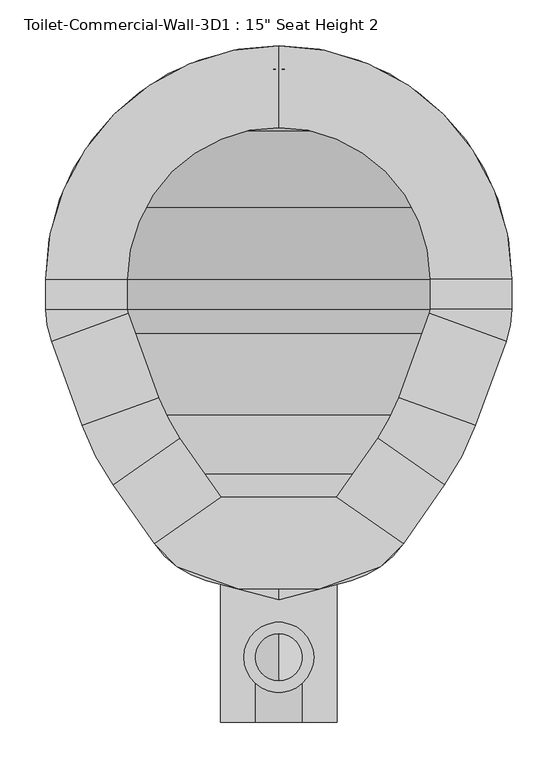
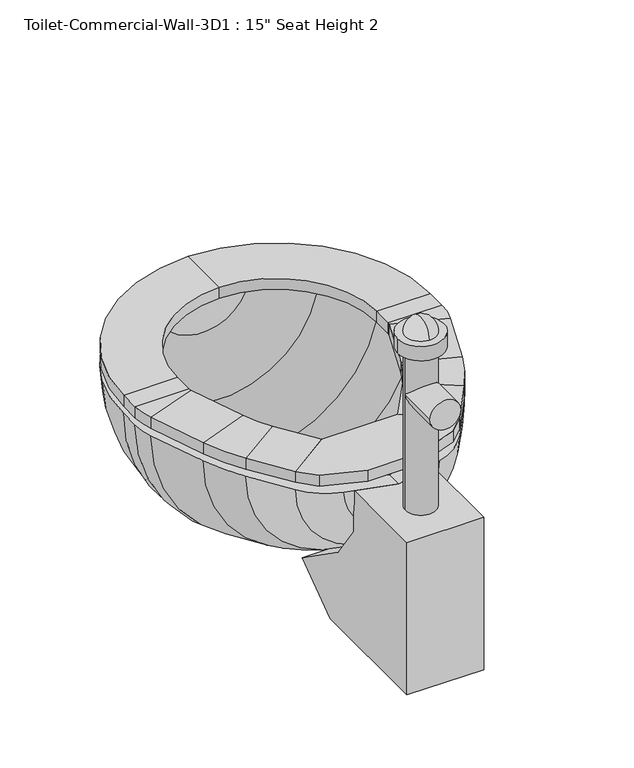
"""IFC4 building model written with IfcOpenShell, lengths in millimetres: flow terminal geometry."""

from ifc_helpers import new_model, si_unit, point, frame, frame_2d, origin, place, context, project, spatial, polyline, circle_curve, ellipse_curve, trimmed, segment, composite_curve, outline, extrude, source, transform, mapped, element, save
from ifc_brep_helpers import plane_surface, cylinder_surface, revolved_surface, advanced_brep


def flow_terminal_4f17df5f(model_context):
    return source(origin(), model_context, "Body", "SolidModel", [
        extrude(outline(polyline([(467.7541169, 416.4847495), (540.5767337, 365.4938043), (515.6262519, 340.5433226), (449.563909, 316.4985961), (360.2423986, 316.4985961), (294.1800557, 340.5433226), (269.229574, 365.4938043), (342.0521907, 416.4847495), (467.7541169, 416.4847495)])), frame((0.0, 0.0, 355.6), z_axis=(0.0, 0.0, 1.0), x_axis=(1.0, 0.0, 0.0)), (0.0, 0.0, 1.0), 19.05),
        advanced_brep(
        [(467.7541169, 416.4847495, 355.6), (540.5767337, 365.4938043, 355.6), (540.5767337, 365.4938043, 374.65), (467.7541169, 416.4847495, 374.65), (512.8583992, 480.9003403, 355.6), (585.6810159, 429.9093951, 355.6), (585.6810159, 429.9093951, 374.65), (512.8583992, 480.9003403, 374.65), (619.360053, 494.6062234, 355.6), (535.821379, 525.0118141, 355.6), (619.360053, 494.6062234, 374.65), (535.821379, 525.0118141, 374.65), (569.2372501, 616.8211654, 355.6), (652.7759241, 586.4155747, 355.6), (652.7759241, 586.4155747, 374.65), (569.2372501, 616.8211654, 374.65), (658.9031538, 621.1648212, 355.6), (570.0031538, 621.1648212, 355.6), (658.9031538, 621.1648212, 374.65), (570.0031538, 621.1648212, 374.65), (570.0031538, 654.05, 355.6), (658.9031538, 654.05, 355.6), (658.9031538, 654.05, 374.65), (570.0031538, 654.05, 374.65), (404.9031538, 908.05, 355.6), (404.9031538, 819.15, 355.6), (404.9031538, 908.05, 374.65), (404.9031538, 819.15, 374.65), (150.9031538, 654.05, 355.6), (239.8031538, 654.05, 355.6), (150.9031538, 654.05, 374.65), (239.8031538, 654.05, 374.65), (239.8031538, 621.1648212, 355.6), (150.9031538, 621.1648212, 355.6), (150.9031538, 621.1648212, 374.65), (239.8031538, 621.1648212, 374.65), (157.0303835, 586.4155747, 355.6), (240.5690575, 616.8211654, 355.6), (157.0303835, 586.4155747, 374.65), (240.5690575, 616.8211654, 374.65), (273.9849286, 525.0118141, 355.6), (190.4462546, 494.6062234, 355.6), (190.4462546, 494.6062234, 374.65), (273.9849286, 525.0118141, 374.65), (224.1252917, 429.9093951, 355.6), (296.9479084, 480.9003403, 355.6), (224.1252917, 429.9093951, 374.65), (296.9479084, 480.9003403, 374.65), (342.0521907, 416.4847495, 355.6), (342.0521907, 416.4847495, 374.65), (269.229574, 365.4938043, 374.65), (269.229574, 365.4938043, 355.6)],
        [
            (0, 1),
            (1, 2),
            (2, 3),
            (3, 0),
            (0, 4),
            (4, 5),
            (5, 1),
            (5, 6),
            (6, 2),
            (6, 7),
            (7, 3),
            (7, 4),
            (8, 5, circle_curve(frame((356.8099347, 590.1666514, 355.6), z_axis=(0.0, 0.0, -1.0), x_axis=(0.81915204428899, -0.5735764363510486, 0.0)), 279.4)),
            (4, 9, circle_curve(frame((356.8099347, 590.1666514, 355.6), z_axis=(0.0, 0.0, 1.0), x_axis=(0.81915204428899, -0.5735764363510486, 0.0)), 190.5)),
            (9, 8),
            (10, 6, circle_curve(frame((356.8099347, 590.1666514, 374.65), z_axis=(0.0, 0.0, -1.0), x_axis=(0.81915204428899, -0.5735764363510486, 0.0)), 279.4)),
            (8, 10),
            (11, 7, circle_curve(frame((356.8099347, 590.1666514, 374.65), z_axis=(0.0, 0.0, -1.0), x_axis=(0.81915204428899, -0.5735764363510486, 0.0)), 190.5)),
            (10, 11),
            (11, 9),
            (9, 12),
            (12, 13),
            (13, 8),
            (13, 14),
            (14, 10),
            (14, 15),
            (15, 11),
            (15, 12),
            (16, 13, circle_curve(frame((557.3031538, 621.1648212, 355.6), z_axis=(0.0, 0.0, -1.0), x_axis=(0.9396926207859057, -0.3420201433256761, 0.0)), 101.6)),
            (12, 17, circle_curve(frame((557.3031538, 621.1648212, 355.6), z_axis=(0.0, 0.0, 1.0), x_axis=(0.9396926207859057, -0.3420201433256761, 0.0)), 12.7)),
            (17, 16),
            (18, 14, circle_curve(frame((557.3031538, 621.1648212, 374.65), z_axis=(0.0, 0.0, -1.0), x_axis=(0.9396926207859057, -0.3420201433256761, 0.0)), 101.6)),
            (16, 18),
            (19, 15, circle_curve(frame((557.3031538, 621.1648212, 374.65), z_axis=(0.0, 0.0, -1.0), x_axis=(0.9396926207859057, -0.3420201433256761, 0.0)), 12.7)),
            (18, 19),
            (19, 17),
            (17, 20),
            (20, 21),
            (21, 16),
            (21, 22),
            (22, 18),
            (22, 23),
            (23, 19),
            (23, 20),
            (24, 21, circle_curve(frame((404.9031538, 654.05, 355.6), z_axis=(0.0, 0.0, -1.0), x_axis=(1.0, 0.0, 0.0)), 254.0)),
            (20, 25, circle_curve(frame((404.9031538, 654.05, 355.6), z_axis=(0.0, 0.0, 1.0), x_axis=(1.0, 0.0, 0.0)), 165.1)),
            (25, 24),
            (26, 22, circle_curve(frame((404.9031538, 654.05, 374.65), z_axis=(0.0, 0.0, -1.0), x_axis=(1.0, 0.0, 0.0)), 254.0)),
            (24, 26),
            (27, 23, circle_curve(frame((404.9031538, 654.05, 374.65), z_axis=(0.0, 0.0, -1.0), x_axis=(1.0, 0.0, 0.0)), 165.1)),
            (26, 27),
            (27, 25),
            (28, 24, circle_curve(frame((404.9031538, 654.05, 355.6), z_axis=(0.0, 0.0, -1.0), x_axis=(0.0, 1.0, 0.0)), 254.0)),
            (25, 29, circle_curve(frame((404.9031538, 654.05, 355.6), z_axis=(0.0, 0.0, 1.0), x_axis=(0.0, 1.0, 0.0)), 165.1)),
            (29, 28),
            (30, 26, circle_curve(frame((404.9031538, 654.05, 374.65), z_axis=(0.0, 0.0, -1.0), x_axis=(0.0, 1.0, 0.0)), 254.0)),
            (28, 30),
            (31, 27, circle_curve(frame((404.9031538, 654.05, 374.65), z_axis=(0.0, 0.0, -1.0), x_axis=(0.0, 1.0, 0.0)), 165.1)),
            (30, 31),
            (31, 29),
            (29, 32),
            (32, 33),
            (33, 28),
            (33, 34),
            (34, 30),
            (34, 35),
            (35, 31),
            (35, 32),
            (36, 33, circle_curve(frame((252.5031538, 621.1648212, 355.6), z_axis=(0.0, 0.0, -1.0), x_axis=(-1.0, 0.0, 0.0)), 101.6)),
            (32, 37, circle_curve(frame((252.5031538, 621.1648212, 355.6), z_axis=(0.0, 0.0, 1.0), x_axis=(-1.0, 0.0, 0.0)), 12.7)),
            (37, 36),
            (38, 34, circle_curve(frame((252.5031538, 621.1648212, 374.65), z_axis=(0.0, 0.0, -1.0), x_axis=(-1.0, 0.0, 0.0)), 101.6)),
            (36, 38),
            (39, 35, circle_curve(frame((252.5031538, 621.1648212, 374.65), z_axis=(0.0, 0.0, -1.0), x_axis=(-1.0, 0.0, 0.0)), 12.7)),
            (38, 39),
            (39, 37),
            (37, 40),
            (40, 41),
            (41, 36),
            (41, 42),
            (42, 38),
            (42, 43),
            (43, 39),
            (43, 40),
            (44, 41, circle_curve(frame((452.9963729, 590.1666514, 355.6), z_axis=(0.0, 0.0, -1.0), x_axis=(-0.939692620785909, -0.3420201433256672, 0.0)), 279.4)),
            (40, 45, circle_curve(frame((452.9963729, 590.1666514, 355.6), z_axis=(0.0, 0.0, 1.0), x_axis=(-0.939692620785909, -0.3420201433256672, 0.0)), 190.5)),
            (45, 44),
            (46, 42, circle_curve(frame((452.9963729, 590.1666514, 374.65), z_axis=(0.0, 0.0, -1.0), x_axis=(-0.939692620785909, -0.3420201433256672, 0.0)), 279.4)),
            (44, 46),
            (47, 43, circle_curve(frame((452.9963729, 590.1666514, 374.65), z_axis=(0.0, 0.0, -1.0), x_axis=(-0.939692620785909, -0.3420201433256672, 0.0)), 190.5)),
            (46, 47),
            (47, 45),
            (48, 49),
            (49, 50),
            (50, 51),
            (51, 48),
            (45, 48),
            (51, 44),
            (50, 46),
            (49, 47),
        ],
        [
            plane_surface(frame((540.5767337, 365.4938043, 437.2995365), z_axis=(-0.5735764363510436, -0.8191520442889937, 0.0), x_axis=(0.8191520442889937, -0.5735764363510436, 0.0))),
            plane_surface(frame((467.7541169, 416.4847495, 355.6), z_axis=(0.0, 0.0, -1.0), x_axis=(0.5735764363510435, 0.8191520442889937, 0.0))),
            plane_surface(frame((540.5767337, 365.4938043, 355.6), z_axis=(0.8191520442889932, -0.5735764363510439, 0.0), x_axis=(0.5735764363510439, 0.8191520442889932, 0.0))),
            plane_surface(frame((540.5767337, 365.4938043, 374.65), z_axis=(0.0, 0.0, 1.0), x_axis=(0.573576436351043, 0.819152044288994, 0.0))),
            plane_surface(frame((467.7541169, 416.4847495, 374.65), z_axis=(-0.8191520442889932, 0.5735764363510439, 0.0), x_axis=(0.5735764363510439, 0.8191520442889932, 0.0))),
            plane_surface(frame((356.8099347, 590.1666514, 355.6), z_axis=(0.0, 0.0, -1.0), x_axis=(0.81915204428899, -0.5735764363510486, 0.0))),
            cylinder_surface(frame((356.8099347, 590.1666514, 342.9), z_axis=(0.0, 0.0, 1.0), x_axis=(0.81915204428899, -0.5735764363510486, 0.0)), 279.4),
            plane_surface(frame((356.8099347, 590.1666514, 374.65), z_axis=(0.0, 0.0, 1.0), x_axis=(0.81915204428899, -0.5735764363510486, 0.0))),
            revolved_surface(polyline([(512.8583991370526, 480.90034027512525, 374.65), (512.8583991370526, 480.90034027512525, 355.6)]), (356.8099347, 590.1666514, 342.9), (0.0, 0.0, 1.0)),
            plane_surface(frame((535.821379, 525.0118141, 355.6), z_axis=(0.0, 0.0, -1.0000000000000002), x_axis=(0.3420201433256594, 0.9396926207859119, 0.0))),
            plane_surface(frame((619.360053, 494.6062234, 355.6), z_axis=(0.939692620785912, -0.34202014332565894, 0.0), x_axis=(0.34202014332565894, 0.939692620785912, 0.0))),
            plane_surface(frame((619.360053, 494.6062234, 374.65), z_axis=(0.0, 0.0, 1.0), x_axis=(0.34202014332565894, 0.939692620785912, 0.0))),
            plane_surface(frame((535.821379, 525.0118141, 374.65), z_axis=(-0.9396926207859126, 0.3420201433256571, 0.0), x_axis=(0.3420201433256571, 0.9396926207859126, 0.0))),
            plane_surface(frame((557.3031538, 621.1648212, 355.6), z_axis=(0.0, 0.0, -1.0000000000000002), x_axis=(0.9396926207859058, -0.34202014332567615, 0.0))),
            cylinder_surface(frame((557.3031538, 621.1648212, 342.9), z_axis=(0.0, 0.0, 1.0), x_axis=(0.9396926207859057, -0.3420201433256761, 0.0)), 101.6),
            plane_surface(frame((557.3031538, 621.1648212, 374.65), z_axis=(0.0, 0.0, 1.0000000000000002), x_axis=(0.9396926207859058, -0.34202014332567615, 0.0))),
            revolved_surface(polyline([(569.237250083981, 616.8211653797639, 374.65), (569.237250083981, 616.8211653797639, 355.6)]), (557.3031538, 621.1648212, 342.9), (0.0, 0.0, 1.0)),
            plane_surface(frame((570.0031538, 621.1648212, 355.6), z_axis=(0.0, 0.0, -1.0), x_axis=(0.0, 1.0, 0.0))),
            plane_surface(frame((658.9031538, 621.1648212, 355.6), z_axis=(1.0, 0.0, 0.0), x_axis=(0.0, 1.0, 0.0))),
            plane_surface(frame((658.9031538, 621.1648212, 374.65), z_axis=(0.0, 0.0, 1.0), x_axis=(0.0, 1.0, 0.0))),
            plane_surface(frame((570.0031538, 621.1648212, 374.65), z_axis=(-1.0, 0.0, 0.0), x_axis=(0.0, 1.0, 0.0))),
            plane_surface(frame((404.9031538, 654.05, 355.6), z_axis=(0.0, 0.0, -1.0), x_axis=(1.0, 0.0, 0.0))),
            cylinder_surface(frame((404.9031538, 654.05, 342.9), z_axis=(0.0, 0.0, 1.0), x_axis=(1.0, 0.0, 0.0)), 254.0),
            plane_surface(frame((404.9031538, 654.05, 374.65), z_axis=(0.0, 0.0, 1.0), x_axis=(1.0, 0.0, 0.0))),
            revolved_surface(polyline([(570.0031538, 654.05, 374.65), (570.0031538, 654.05, 355.6)]), (404.9031538, 654.05, 342.9), (0.0, 0.0, 1.0)),
            plane_surface(frame((404.9031538, 654.05, 355.6), z_axis=(0.0, 0.0, -1.0), x_axis=(0.0, 1.0, 0.0))),
            cylinder_surface(frame((404.9031538, 654.05, 342.9), z_axis=(0.0, 0.0, 1.0), x_axis=(0.0, 1.0, 0.0)), 254.0),
            plane_surface(frame((404.9031538, 654.05, 374.65), z_axis=(0.0, 0.0, 1.0), x_axis=(0.0, 1.0, 0.0))),
            revolved_surface(polyline([(404.9031538, 819.15, 374.65), (404.9031538, 819.15, 355.6)]), (404.9031538, 654.05, 342.9), (0.0, 0.0, 1.0)),
            plane_surface(frame((239.8031538, 654.05, 355.6), z_axis=(0.0, 0.0, -1.0), x_axis=(0.0, -1.0, 0.0))),
            plane_surface(frame((150.9031538, 654.05, 355.6), z_axis=(-1.0, 0.0, 0.0), x_axis=(0.0, -1.0, 0.0))),
            plane_surface(frame((150.9031538, 654.05, 374.65), z_axis=(0.0, 0.0, 1.0), x_axis=(0.0, -1.0, 0.0))),
            plane_surface(frame((239.8031538, 654.05, 374.65), z_axis=(1.0, 0.0, 0.0), x_axis=(0.0, -1.0, 0.0))),
            plane_surface(frame((252.5031538, 621.1648212, 355.6), z_axis=(0.0, 0.0, -1.0), x_axis=(-1.0, 0.0, 0.0))),
            cylinder_surface(frame((252.5031538, 621.1648212, 342.9), z_axis=(0.0, 0.0, 1.0), x_axis=(-1.0, 0.0, 0.0)), 101.6),
            plane_surface(frame((252.5031538, 621.1648212, 374.65), z_axis=(0.0, 0.0, 1.0), x_axis=(-1.0, 0.0, 0.0))),
            revolved_surface(polyline([(239.80315380000002, 621.1648212, 374.65), (239.80315380000002, 621.1648212, 355.6)]), (252.5031538, 621.1648212, 342.9), (0.0, 0.0, 1.0)),
            plane_surface(frame((240.5690575, 616.8211654, 355.6), z_axis=(0.0, 0.0, -1.0), x_axis=(0.3420201433256577, -0.9396926207859124, 0.0))),
            plane_surface(frame((157.0303835, 586.4155747, 355.6), z_axis=(-0.9396926207859123, -0.3420201433256579, 0.0), x_axis=(0.3420201433256579, -0.9396926207859123, 0.0))),
            plane_surface(frame((157.0303835, 586.4155747, 374.65), z_axis=(0.0, 0.0, 1.0000000000000002), x_axis=(0.34202014332565817, -0.9396926207859123, 0.0))),
            plane_surface(frame((240.5690575, 616.8211654, 374.65), z_axis=(0.9396926207859124, 0.3420201433256577, 0.0), x_axis=(0.3420201433256577, -0.9396926207859124, 0.0))),
            plane_surface(frame((452.9963729, 590.1666514, 355.6), z_axis=(0.0, 0.0, -1.0), x_axis=(-0.939692620785909, -0.3420201433256672, 0.0))),
            cylinder_surface(frame((452.9963729, 590.1666514, 342.9), z_axis=(0.0, 0.0, 1.0), x_axis=(-0.939692620785909, -0.3420201433256672, 0.0)), 279.4),
            plane_surface(frame((452.9963729, 590.1666514, 374.65), z_axis=(0.0, 0.0, 1.0), x_axis=(-0.939692620785909, -0.3420201433256672, 0.0))),
            revolved_surface(polyline([(273.98492864028435, 525.0118140964604, 374.65), (273.98492864028435, 525.0118140964604, 355.6)]), (452.9963729, 590.1666514, 342.9), (0.0, 0.0, 1.0)),
            plane_surface(frame((269.229574, 365.4938043, 248.5004635), z_axis=(0.5735764363510469, -0.8191520442889914, 0.0), x_axis=(0.8191520442889914, 0.5735764363510469, 0.0))),
            plane_surface(frame((296.9479084, 480.9003403, 355.6), z_axis=(0.0, 0.0, -1.0), x_axis=(0.5735764363510475, -0.8191520442889909, 0.0))),
            plane_surface(frame((224.1252917, 429.9093951, 355.6), z_axis=(-0.8191520442889912, -0.5735764363510469, 0.0), x_axis=(0.5735764363510469, -0.8191520442889912, 0.0))),
            plane_surface(frame((224.1252917, 429.9093951, 374.65), z_axis=(0.0, 0.0, 1.0), x_axis=(0.5735764363510469, -0.8191520442889912, 0.0))),
            plane_surface(frame((296.9479084, 480.9003403, 374.65), z_axis=(0.8191520442889916, 0.5735764363510465, 0.0), x_axis=(0.5735764363510465, -0.8191520442889916, 0.0))),
        ],
        [
            (0, [[1, 2, 3, 4]]),
            (1, [[-1, 5, 6, 7]]),
            (2, [[-2, -7, 8, 9]]),
            (3, [[-3, -9, 10, 11]]),
            (4, [[-4, -11, 12, -5]]),
            (5, [[13, -6, 14, 15]]),
            (6, [[16, -8, -13, 17]]),
            (7, [[18, -10, -16, 19]]),
            (8, [[-14, -12, -18, 20]]),
            (9, [[-15, 21, 22, 23]]),
            (10, [[-17, -23, 24, 25]]),
            (11, [[-19, -25, 26, 27]]),
            (12, [[-20, -27, 28, -21]]),
            (13, [[29, -22, 30, 31]]),
            (14, [[32, -24, -29, 33]]),
            (15, [[34, -26, -32, 35]]),
            (16, [[-30, -28, -34, 36]]),
            (17, [[-31, 37, 38, 39]]),
            (18, [[-33, -39, 40, 41]]),
            (19, [[-35, -41, 42, 43]]),
            (20, [[-36, -43, 44, -37]]),
            (21, [[45, -38, 46, 47]]),
            (22, [[48, -40, -45, 49]]),
            (23, [[50, -42, -48, 51]]),
            (24, [[-46, -44, -50, 52]]),
            (25, [[53, -47, 54, 55]]),
            (26, [[56, -49, -53, 57]]),
            (27, [[58, -51, -56, 59]]),
            (28, [[-54, -52, -58, 60]]),
            (29, [[-55, 61, 62, 63]]),
            (30, [[-57, -63, 64, 65]]),
            (31, [[-59, -65, 66, 67]]),
            (32, [[-60, -67, 68, -61]]),
            (33, [[69, -62, 70, 71]]),
            (34, [[72, -64, -69, 73]]),
            (35, [[74, -66, -72, 75]]),
            (36, [[-70, -68, -74, 76]]),
            (37, [[-71, 77, 78, 79]]),
            (38, [[-73, -79, 80, 81]]),
            (39, [[-75, -81, 82, 83]]),
            (40, [[-76, -83, 84, -77]]),
            (41, [[85, -78, 86, 87]]),
            (42, [[88, -80, -85, 89]]),
            (43, [[90, -82, -88, 91]]),
            (44, [[-86, -84, -90, 92]]),
            (45, [[93, 94, 95, 96]]),
            (46, [[-87, 97, -96, 98]]),
            (47, [[-89, -98, -95, 99]]),
            (48, [[-91, -99, -94, 100]]),
            (49, [[-92, -100, -93, -97]]),
        ],
    ),
        advanced_brep(
        [(491.7762702, 892.7319257, 342.9), (404.9031538, 908.05, 342.9), (404.9031538, 882.65, 342.9), (483.0889586, 868.8637331, 342.9), (566.547764, 815.6946102, 342.9), (619.7168869, 732.2358048, 342.9), (633.5031538, 654.05, 342.9), (633.5031538, 621.1648212, 342.9), (628.9077315, 595.1028863, 342.9), (596.6355667, 506.4358422, 342.9), (562.9565296, 441.7390139, 342.9), (525.0728964, 387.6355786, 342.9), (468.1430637, 347.7728806, 342.9), (404.9031538, 330.8277978, 342.9), (404.9031538, 304.5317829, 342.9), (483.6469009, 325.6311063, 342.9), (540.5767337, 365.4938043, 342.9), (585.6810159, 429.9093951, 342.9), (619.360053, 494.6062234, 342.9), (652.7759241, 586.4155747, 342.9), (658.9031538, 621.1648212, 342.9), (658.9031538, 654.05, 342.9), (643.5850795, 740.9231164, 342.9), (584.5082762, 833.6551224, 342.9), (318.0300374, 892.7319257, 342.9), (225.2980314, 833.6551224, 342.9), (166.2212281, 740.9231164, 342.9), (150.9031538, 654.05, 342.9), (150.9031538, 621.1648212, 342.9), (157.0303835, 586.4155747, 342.9), (190.4462546, 494.6062234, 342.9), (224.1252917, 429.9093951, 342.9), (269.229574, 365.4938043, 342.9), (326.1594067, 325.6311063, 342.9), (341.663244, 347.7728806, 342.9), (284.7334112, 387.6355786, 342.9), (246.849778, 441.7390139, 342.9), (213.1707409, 506.4358422, 342.9), (180.8985761, 595.1028863, 342.9), (176.3031538, 621.1648212, 342.9), (176.3031538, 654.05, 342.9), (190.0894207, 732.2358048, 342.9), (243.2585436, 815.6946102, 342.9), (326.7173491, 868.8637331, 342.9)],
        [
            (0, 1, circle_curve(frame((404.9031538, 654.05, 342.9), z_axis=(0.0, 0.0, 1.0), x_axis=(1.0, 0.0, 0.0)), 254.0)),
            (1, 2),
            (2, 3, circle_curve(frame((404.9031538, 654.05, 342.9), z_axis=(0.0, 0.0, -1.0), x_axis=(1.0, 0.0, 0.0)), 228.6)),
            (3, 4, circle_curve(frame((404.9031538, 654.05, 342.9), z_axis=(0.0, 0.0, -1.0), x_axis=(1.0, 0.0, 0.0)), 228.6)),
            (4, 5, circle_curve(frame((404.9031538, 654.05, 342.9), z_axis=(0.0, 0.0, -1.0), x_axis=(1.0, 0.0, 0.0)), 228.6)),
            (5, 6, circle_curve(frame((404.9031538, 654.05, 342.9), z_axis=(0.0, 0.0, -1.0), x_axis=(1.0, 0.0, 0.0)), 228.6)),
            (6, 7),
            (7, 8, circle_curve(frame((557.3031538, 621.1648212, 342.9), z_axis=(0.0, 0.0, -1.0), x_axis=(1.0, 0.0, 0.0)), 76.2)),
            (8, 9),
            (9, 10, circle_curve(frame((334.0854485, 601.9962703, 342.9), z_axis=(0.0, 0.0, -1.0), x_axis=(1.0, 0.0, 0.0)), 279.4)),
            (10, 11),
            (11, 12, circle_curve(frame((441.8470487, 445.9109446, 342.9), z_axis=(0.0, 0.0, -1.0), x_axis=(1.0, 0.0, 0.0)), 101.6)),
            (12, 13),
            (13, 14),
            (14, 15),
            (15, 16, circle_curve(frame((457.350886, 423.7691703, 342.9), z_axis=(0.0, 0.0, 1.0), x_axis=(1.0, 0.0, 0.0)), 101.6)),
            (16, 17),
            (17, 18, circle_curve(frame((356.8099347, 590.1666514, 342.9), z_axis=(0.0, 0.0, 1.0), x_axis=(1.0, 0.0, 0.0)), 279.4)),
            (18, 19),
            (19, 20, circle_curve(frame((557.3031538, 621.1648212, 342.9), z_axis=(0.0, 0.0, 1.0), x_axis=(1.0, 0.0, 0.0)), 101.6)),
            (20, 21),
            (21, 22, circle_curve(frame((404.9031538, 654.05, 342.9), z_axis=(0.0, 0.0, 1.0), x_axis=(1.0, 0.0, 0.0)), 254.0)),
            (22, 23, circle_curve(frame((404.9031538, 654.05, 342.9), z_axis=(0.0, 0.0, 1.0), x_axis=(1.0, 0.0, 0.0)), 254.0)),
            (23, 0, circle_curve(frame((404.9031538, 654.05, 342.9), z_axis=(0.0, 0.0, 1.0), x_axis=(1.0, 0.0, 0.0)), 254.0)),
            (24, 25, circle_curve(frame((404.9031538, 654.05, 342.9), z_axis=(0.0, 0.0, 1.0), x_axis=(-1.0, 0.0, 0.0)), 254.0)),
            (25, 26, circle_curve(frame((404.9031538, 654.05, 342.9), z_axis=(0.0, 0.0, 1.0), x_axis=(-1.0, 0.0, 0.0)), 254.0)),
            (26, 27, circle_curve(frame((404.9031538, 654.05, 342.9), z_axis=(0.0, 0.0, 1.0), x_axis=(-1.0, 0.0, 0.0)), 254.0)),
            (27, 28),
            (28, 29, circle_curve(frame((252.5031538, 621.1648212, 342.9), z_axis=(0.0, 0.0, 1.0), x_axis=(-1.0, 0.0, 0.0)), 101.6)),
            (29, 30),
            (30, 31, circle_curve(frame((452.9963729, 590.1666514, 342.9), z_axis=(0.0, 0.0, 1.0), x_axis=(-1.0, 0.0, 0.0)), 279.4)),
            (31, 32),
            (32, 33, circle_curve(frame((352.4554217, 423.7691703, 342.9), z_axis=(0.0, 0.0, 1.0), x_axis=(-1.0, 0.0, 0.0)), 101.6)),
            (33, 14),
            (13, 34),
            (34, 35, circle_curve(frame((367.9592589, 445.9109446, 342.9), z_axis=(0.0, 0.0, -1.0), x_axis=(-1.0, 0.0, 0.0)), 101.6)),
            (35, 36),
            (36, 37, circle_curve(frame((475.7208592, 601.9962703, 342.9), z_axis=(0.0, 0.0, -1.0), x_axis=(-1.0, 0.0, 0.0)), 279.4)),
            (37, 38),
            (38, 39, circle_curve(frame((252.5031538, 621.1648212, 342.9), z_axis=(0.0, 0.0, -1.0), x_axis=(-1.0, 0.0, 0.0)), 76.2)),
            (39, 40),
            (40, 41, circle_curve(frame((404.9031538, 654.05, 342.9), z_axis=(0.0, 0.0, -1.0), x_axis=(-1.0, 0.0, 0.0)), 228.6)),
            (41, 42, circle_curve(frame((404.9031538, 654.05, 342.9), z_axis=(0.0, 0.0, -1.0), x_axis=(-1.0, 0.0, 0.0)), 228.6)),
            (42, 43, circle_curve(frame((404.9031538, 654.05, 342.9), z_axis=(0.0, 0.0, -1.0), x_axis=(-1.0, 0.0, 0.0)), 228.6)),
            (43, 2, circle_curve(frame((404.9031538, 654.05, 342.9), z_axis=(0.0, 0.0, -1.0), x_axis=(-1.0, 0.0, 0.0)), 228.6)),
            (1, 24, circle_curve(frame((404.9031538, 654.05, 342.9), z_axis=(0.0, 0.0, 1.0), x_axis=(-1.0, 0.0, 0.0)), 254.0)),
            (0, 24, circle_curve(frame((404.9031538, 892.7319257, 342.9), z_axis=(0.0, 1.0, 0.0), x_axis=(1.0, 0.0, 0.0)), 86.8731164)),
            (43, 3, circle_curve(frame((404.9031538, 868.8637331, 342.9), z_axis=(0.0, -1.0, 0.0), x_axis=(1.0, 0.0, 0.0)), 78.1858048)),
            (42, 4, circle_curve(frame((404.9031538, 815.6946102, 342.9), z_axis=(0.0, -1.0, 0.0), x_axis=(1.0, 0.0, 0.0)), 161.6446102)),
            (41, 5, circle_curve(frame((404.9031538, 732.2358048, 342.9), z_axis=(0.0, -1.0, 0.0), x_axis=(1.0, 0.0, 0.0)), 214.8137331)),
            (40, 6, circle_curve(frame((404.9031538, 654.05, 342.9), z_axis=(0.0, -1.0, 0.0), x_axis=(1.0, 0.0, 0.0)), 228.6)),
            (39, 7, circle_curve(frame((404.9031538, 621.1648212, 342.9), z_axis=(0.0, -1.0, 0.0), x_axis=(1.0, 0.0, 0.0)), 228.6)),
            (38, 8, circle_curve(frame((404.9031538, 595.1028863, 342.9), z_axis=(0.0, -1.0, 0.0), x_axis=(1.0, 0.0, 0.0)), 224.0045777)),
            (37, 9, circle_curve(frame((404.9031538, 506.4358422, 342.9), z_axis=(0.0, -1.0, 0.0), x_axis=(1.0, 0.0, 0.0)), 191.7324129)),
            (36, 10, circle_curve(frame((404.9031538, 441.7390139, 342.9), z_axis=(0.0, -1.0, 0.0), x_axis=(1.0, 0.0, 0.0)), 158.0533758)),
            (35, 11, circle_curve(frame((404.9031538, 387.6355786, 342.9), z_axis=(0.0, -1.0, 0.0), x_axis=(1.0, 0.0, 0.0)), 120.1697426)),
            (34, 12, circle_curve(frame((404.9031538, 347.7728806, 342.9), z_axis=(0.0, -1.0, 0.0), x_axis=(1.0, 0.0, 0.0)), 63.2399099)),
            (33, 15, circle_curve(frame((404.9031538, 325.6311063, 342.9), z_axis=(0.0, -1.0, 0.0), x_axis=(1.0, 0.0, 0.0)), 78.7437471)),
            (32, 16, circle_curve(frame((404.9031538, 365.4938043, 342.9), z_axis=(0.0, -1.0, 0.0), x_axis=(1.0, 0.0, 0.0)), 135.6735798)),
            (31, 17, circle_curve(frame((404.9031538, 429.9093951, 342.9), z_axis=(0.0, -1.0, 0.0), x_axis=(1.0, 0.0, 0.0)), 180.7778621)),
            (30, 18, circle_curve(frame((404.9031538, 494.6062234, 342.9), z_axis=(0.0, -1.0, 0.0), x_axis=(1.0, 0.0, 0.0)), 214.4568992)),
            (29, 19, circle_curve(frame((404.9031538, 586.4155747, 342.9), z_axis=(0.0, -1.0, 0.0), x_axis=(1.0, 0.0, 0.0)), 247.8727703)),
            (28, 20, circle_curve(frame((404.9031538, 621.1648212, 342.9), z_axis=(0.0, -1.0, 0.0), x_axis=(1.0, 0.0, 0.0)), 254.0)),
            (27, 21, circle_curve(frame((404.9031538, 654.05, 342.9), z_axis=(0.0, -1.0, 0.0), x_axis=(1.0, 0.0, 0.0)), 254.0)),
            (26, 22, circle_curve(frame((404.9031538, 740.9231164, 342.9), z_axis=(0.0, -1.0, 0.0), x_axis=(1.0, 0.0, 0.0)), 238.6819257)),
            (25, 23, circle_curve(frame((404.9031538, 833.6551224, 342.9), z_axis=(0.0, -1.0, 0.0), x_axis=(1.0, 0.0, 0.0)), 179.6051224)),
        ],
        [
            plane_surface(frame((404.9031538, 1013.2602448, 342.9), z_axis=(0.0, 0.0, 1.0), x_axis=(1.0, 0.0, 0.0))),
            plane_surface(frame((404.9031538, 1013.2602448, 342.9), z_axis=(0.0, 0.0, 1.0), x_axis=(-1.0, 0.0, 0.0))),
            revolved_surface(trimmed(ellipse_curve(frame((404.9031538, 654.05, 342.9), z_axis=(0.0, 0.0, 1.0), x_axis=(1.0, 0.0, 0.0)), 254.0, 254.0), [point((491.7762702, 892.7319257, 342.9))], [point((404.9031538, 908.05, 342.9))], True, "CARTESIAN"), (404.9031538, 1013.2602448, 342.9), (0.0, 1.0, 0.0)),
            revolved_surface(trimmed(ellipse_curve(frame((404.9031538, 654.05, 342.9), z_axis=(0.0, 0.0, -1.0), x_axis=(1.0, 0.0, 0.0)), 228.6, 228.6), [point((404.9031538, 882.65, 342.9))], [point((483.0889586, 868.8637331, 342.9))], True, "CARTESIAN"), (404.9031538, 1013.2602448, 342.9), (0.0, 1.0, 0.0)),
            revolved_surface(trimmed(ellipse_curve(frame((404.9031538, 654.05, 342.9), z_axis=(0.0, 0.0, -1.0), x_axis=(1.0, 0.0, 0.0)), 228.6, 228.6), [point((483.0889586, 868.8637331, 342.9))], [point((566.547764, 815.6946102, 342.9))], True, "CARTESIAN"), (404.9031538, 1013.2602448, 342.9), (0.0, 1.0, 0.0)),
            revolved_surface(trimmed(ellipse_curve(frame((404.9031538, 654.05, 342.9), z_axis=(0.0, 0.0, -1.0), x_axis=(1.0, 0.0, 0.0)), 228.6, 228.6), [point((566.547764, 815.6946102, 342.9))], [point((619.7168869, 732.2358048, 342.9))], True, "CARTESIAN"), (404.9031538, 1013.2602448, 342.9), (0.0, 1.0, 0.0)),
            revolved_surface(trimmed(ellipse_curve(frame((404.9031538, 654.05, 342.9), z_axis=(0.0, 0.0, -1.0), x_axis=(1.0, 0.0, 0.0)), 228.6, 228.6), [point((619.7168869, 732.2358048, 342.9))], [point((633.5031538, 654.05, 342.9))], True, "CARTESIAN"), (404.9031538, 1013.2602448, 342.9), (0.0, 1.0, 0.0)),
            revolved_surface(polyline([(633.5031538, 654.05, 342.9), (633.5031538, 621.1648212, 342.9)]), (404.9031538, 1013.2602448, 342.9), (0.0, 1.0, 0.0)),
            revolved_surface(trimmed(ellipse_curve(frame((557.3031538, 621.1648212, 342.9), z_axis=(0.0, 0.0, -1.0), x_axis=(1.0, 0.0, 0.0)), 76.2, 76.2), [point((633.5031538, 621.1648212, 342.9))], [point((628.9077315, 595.1028863, 342.9))], True, "CARTESIAN"), (404.9031538, 1013.2602448, 342.9), (0.0, 1.0, 0.0)),
            revolved_surface(polyline([(628.9077315, 595.1028863, 342.9), (596.6355667, 506.4358422, 342.9)]), (404.9031538, 1013.2602448, 342.9), (0.0, 1.0, 0.0)),
            revolved_surface(trimmed(ellipse_curve(frame((334.0854485, 601.9962703, 342.9), z_axis=(0.0, 0.0, -1.0), x_axis=(1.0, 0.0, 0.0)), 279.4, 279.4), [point((596.6355667, 506.4358422, 342.9))], [point((562.9565296, 441.7390139, 342.9))], True, "CARTESIAN"), (404.9031538, 1013.2602448, 342.9), (0.0, 1.0, 0.0)),
            revolved_surface(polyline([(562.9565296, 441.7390139, 342.9), (525.0728964, 387.6355786, 342.9)]), (404.9031538, 1013.2602448, 342.9), (0.0, 1.0, 0.0)),
            revolved_surface(trimmed(ellipse_curve(frame((441.8470487, 445.9109446, 342.9), z_axis=(0.0, 0.0, -1.0), x_axis=(1.0, 0.0, 0.0)), 101.6, 101.6), [point((525.0728964, 387.6355786, 342.9))], [point((468.1430637, 347.7728806, 342.9))], True, "CARTESIAN"), (404.9031538, 1013.2602448, 342.9), (0.0, 1.0, 0.0)),
            revolved_surface(polyline([(468.1430637, 347.7728806, 342.9), (404.9031538, 330.8277978, 342.9)]), (404.9031538, 1013.2602448, 342.9), (0.0, 1.0, 0.0)),
            revolved_surface(polyline([(404.9031538, 304.5317829, 342.9), (483.6469009, 325.6311063, 342.9)]), (404.9031538, 1013.2602448, 342.9), (0.0, 1.0, 0.0)),
            revolved_surface(trimmed(ellipse_curve(frame((457.350886, 423.7691703, 342.9), z_axis=(0.0, 0.0, 1.0), x_axis=(1.0, 0.0, 0.0)), 101.6, 101.6), [point((483.6469009, 325.6311063, 342.9))], [point((540.5767337, 365.4938043, 342.9))], True, "CARTESIAN"), (404.9031538, 1013.2602448, 342.9), (0.0, 1.0, 0.0)),
            revolved_surface(polyline([(540.5767337, 365.4938043, 342.9), (585.6810159, 429.9093951, 342.9)]), (404.9031538, 1013.2602448, 342.9), (0.0, 1.0, 0.0)),
            revolved_surface(trimmed(ellipse_curve(frame((356.8099347, 590.1666514, 342.9), z_axis=(0.0, 0.0, 1.0), x_axis=(1.0, 0.0, 0.0)), 279.4, 279.4), [point((585.6810159, 429.9093951, 342.9))], [point((619.360053, 494.6062234, 342.9))], True, "CARTESIAN"), (404.9031538, 1013.2602448, 342.9), (0.0, 1.0, 0.0)),
            revolved_surface(polyline([(619.360053, 494.6062234, 342.9), (652.7759241, 586.4155747, 342.9)]), (404.9031538, 1013.2602448, 342.9), (0.0, 1.0, 0.0)),
            revolved_surface(trimmed(ellipse_curve(frame((557.3031538, 621.1648212, 342.9), z_axis=(0.0, 0.0, 1.0), x_axis=(1.0, 0.0, 0.0)), 101.6, 101.6), [point((652.7759241, 586.4155747, 342.9))], [point((658.9031538, 621.1648212, 342.9))], True, "CARTESIAN"), (404.9031538, 1013.2602448, 342.9), (0.0, 1.0, 0.0)),
            cylinder_surface(frame((404.9031538, 1013.2602448, 342.9), z_axis=(0.0, 1.0, 0.0), x_axis=(1.0, 0.0, 0.0)), 254.0),
            revolved_surface(trimmed(ellipse_curve(frame((404.9031538, 654.05, 342.9), z_axis=(0.0, 0.0, 1.0), x_axis=(1.0, 0.0, 0.0)), 254.0, 254.0), [point((658.9031538, 654.05, 342.9))], [point((643.5850795, 740.9231164, 342.9))], True, "CARTESIAN"), (404.9031538, 1013.2602448, 342.9), (0.0, 1.0, 0.0)),
            revolved_surface(trimmed(ellipse_curve(frame((404.9031538, 654.05, 342.9), z_axis=(0.0, 0.0, 1.0), x_axis=(1.0, 0.0, 0.0)), 254.0, 254.0), [point((643.5850795, 740.9231164, 342.9))], [point((584.5082762, 833.6551224, 342.9))], True, "CARTESIAN"), (404.9031538, 1013.2602448, 342.9), (0.0, 1.0, 0.0)),
            revolved_surface(trimmed(ellipse_curve(frame((404.9031538, 654.05, 342.9), z_axis=(0.0, 0.0, 1.0), x_axis=(1.0, 0.0, 0.0)), 254.0, 254.0), [point((584.5082762, 833.6551224, 342.9))], [point((491.7762702, 892.7319257, 342.9))], True, "CARTESIAN"), (404.9031538, 1013.2602448, 342.9), (0.0, 1.0, 0.0)),
        ],
        [
            (0, [[1, 2, 3, 4, 5, 6, 7, 8, 9, 10, 11, 12, 13, 14, 15, 16, 17, 18, 19, 20, 21, 22, 23, 24]]),
            (1, [[25, 26, 27, 28, 29, 30, 31, 32, 33, 34, -14, 35, 36, 37, 38, 39, 40, 41, 42, 43, 44, 45, -2, 46]]),
            (2, [[-1, 47, -46]]),
            (3, [[48, -3, -45]]),
            (4, [[49, -4, -48, -44]]),
            (5, [[50, -5, -49, -43]]),
            (6, [[51, -6, -50, -42]]),
            (7, [[52, -7, -51, -41]]),
            (8, [[53, -8, -52, -40]]),
            (9, [[54, -9, -53, -39]]),
            (10, [[55, -10, -54, -38]]),
            (11, [[56, -11, -55, -37]]),
            (12, [[57, -12, -56, -36]]),
            (13, [[-13, -57, -35]]),
            (14, [[58, -15, -34]]),
            (15, [[59, -16, -58, -33]]),
            (16, [[60, -17, -59, -32]]),
            (17, [[61, -18, -60, -31]]),
            (18, [[62, -19, -61, -30]]),
            (19, [[63, -20, -62, -29]]),
            (20, [[64, -21, -63, -28]]),
            (21, [[65, -22, -64, -27]]),
            (22, [[66, -23, -65, -26]]),
            (23, [[-47, -24, -66, -25]]),
        ],
    ),
        advanced_brep(
        [(404.9031538, 216.3676912, 647.7), (404.9031538, 267.6028563, 647.7), (404.9031538, 241.9852737, 673.3175826), (404.9031538, 241.9852737, 647.7)],
        [
            (0, 1, circle_curve(frame((404.9031538, 241.9852737, 647.7), z_axis=(0.0, 0.0, 1.0), x_axis=(0.0, 1.0, 0.0)), 25.6175826)),
            (1, 2, circle_curve(frame((404.9031538, 241.9852737, 647.7), z_axis=(1.0, 0.0, 0.0), x_axis=(0.0, -1.0, 0.0)), 25.6175826)),
            (2, 0, circle_curve(frame((404.9031538, 241.9852737, 647.7), z_axis=(1.0, 0.0, 0.0), x_axis=(0.0, 1.0, 0.0)), 25.6175826)),
            (1, 0, circle_curve(frame((404.9031538, 241.9852737, 647.7), z_axis=(0.0, 0.0, 1.0), x_axis=(0.0, 1.0, 0.0)), 25.6175826)),
            (3, 1),
            (0, 3),
        ],
        [
            revolved_surface(trimmed(ellipse_curve(frame((404.9031538, 241.9852737, 647.7), z_axis=(-1.0, 0.0, 0.0), x_axis=(0.0, -1.0, 0.0)), 25.6175826, 25.6175826), [point((404.9031538, 241.9852737, 673.3175826))], [point((404.9031538, 267.6028563, 647.7))], True, "CARTESIAN"), (404.9031538, 241.9852737, 712.3277273), (0.0, 0.0, -1.0)),
            plane_surface(frame((404.9031538, 241.9852737, 647.7), z_axis=(0.0, 0.0, -1.0), x_axis=(0.0, 1.0, 0.0))),
        ],
        [
            (0, [[1, 2, 3]]),
            (0, [[4, -3, -2]]),
            (1, [[5, -1, 6]]),
            (1, [[-6, -4, -5]]),
        ],
    ),
        extrude(outline(composite_curve([segment(trimmed(circle_curve(frame_2d((404.9031538, 241.9852737)), 38.1), [point((366.8031538, 241.9852737))], [point((443.0031538, 241.9852737))], False, "CARTESIAN"), True, "CONTINUOUS"), segment(trimmed(circle_curve(frame_2d((404.9031538, 241.9852737)), 38.1), [point((443.0031538, 241.9852737))], [point((366.8031538, 241.9852737))], False, "CARTESIAN"), True, "CONTINUOUS")], self_intersect=False)), frame((0.0, 0.0, 622.3), z_axis=(0.0, 0.0, 1.0), x_axis=(1.0, 0.0, 0.0)), (0.0, 0.0, 1.0), 25.4),
        extrude(outline(composite_curve([segment(trimmed(circle_curve(frame_2d((544.2113641, 404.9031538)), 25.4), [point((544.2113641, 379.5031538))], [point((544.2113641, 430.3031538))], False, "CARTESIAN"), True, "CONTINUOUS"), segment(trimmed(circle_curve(frame_2d((544.2113641, 404.9031538)), 25.4), [point((544.2113641, 430.3031538))], [point((544.2113641, 379.5031538))], False, "CARTESIAN"), True, "CONTINUOUS")], self_intersect=False)), frame((0.0, 171.45, 0.0), z_axis=(0.0, 1.0, 0.0), x_axis=(0.0, 0.0, 1.0)), (0.0, 0.0, 1.0), 70.64375),
        extrude(outline(polyline([(324.2537941, 342.9), (324.2537941, 269.296452), (367.9603185, 206.8770663), (471.9926282, 134.0328588), (391.4954017, 76.2), (171.45, 76.2), (171.45, 342.9), (324.2537941, 342.9)])), frame((341.4031538, 0.0, 0.0), z_axis=(1.0, 0.0, 0.0), x_axis=(0.0, 1.0, 0.0)), (0.0, 0.0, 1.0), 127.0),
        extrude(outline(composite_curve([segment(trimmed(circle_curve(frame_2d((404.9031538, 241.9852737)), 25.4), [point((379.5031538, 241.9852737))], [point((430.3031538, 241.9852737))], False, "CARTESIAN"), True, "CONTINUOUS"), segment(trimmed(circle_curve(frame_2d((404.9031538, 241.9852737)), 25.4), [point((430.3031538, 241.9852737))], [point((379.5031538, 241.9852737))], False, "CARTESIAN"), True, "CONTINUOUS")], self_intersect=False)), frame((0.0, 0.0, 342.9), z_axis=(0.0, 0.0, 1.0), x_axis=(1.0, 0.0, 0.0)), (0.0, 0.0, 1.0), 279.4),
    ])


if __name__ == "__main__":
    model = new_model("IFC4")
    model_context = context("Model", 3, world=origin())
    ifc_project = project(units=[si_unit("LENGTHUNIT", "METRE", prefix="MILLI")], contexts=[model_context])
    site = spatial("IfcSite", under=ifc_project)
    building = spatial("IfcBuilding", under=site)
    placement = place(None, origin())
    flow_terminal_shape = flow_terminal_4f17df5f(model_context)
    element("IfcFlowTerminal", 1, ObjectType="Toilet-Commercial-Wall-3D1 : 15\" Seat Height 2", at=placement, inside=building, context=model_context, shape_type="MappedRepresentation", body=[
        mapped(flow_terminal_shape, transform((0.0, 0.0, 0.0), x_axis=(1.0, 0.0, 0.0), y_axis=(0.0, 1.0, 0.0), z_axis=(0.0, 0.0, 1.0))),
    ])
    save(model, "model.ifc")
